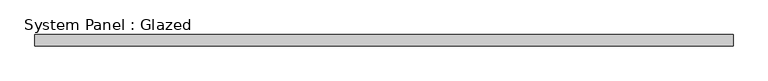
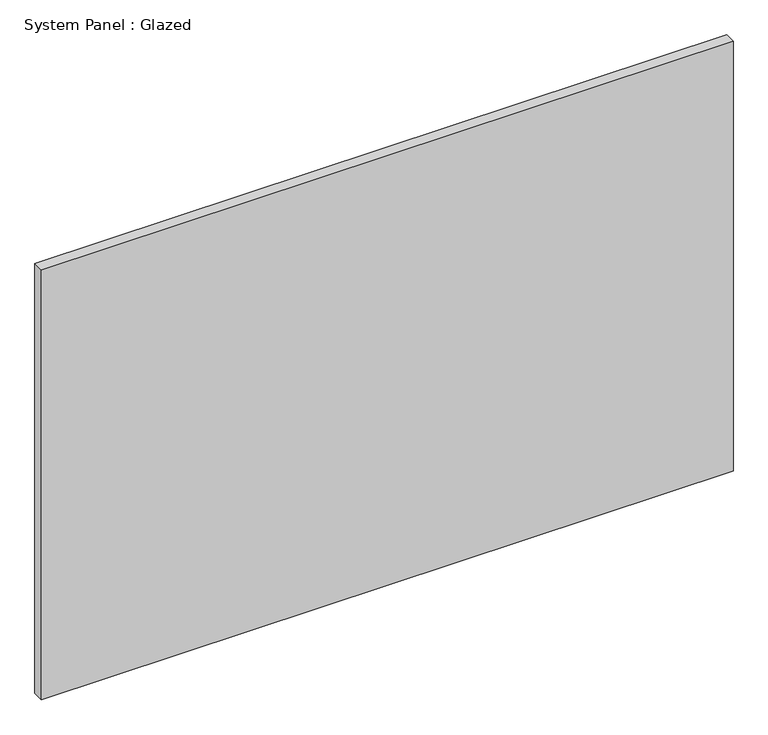
"""IFC4 building model written with IfcOpenShell, lengths in millimetres: plate geometry, System Panel : Glazed."""

from ifc_helpers import new_model, si_unit, origin, origin_with_axes, place, context, project, spatial, polyline, outline, extrude, source, transform, mapped, element, save


def system_panel_glazed_db241357(model_context):
    return source(origin(), model_context, "Body", "SweptSolid", [
        extrude(outline(polyline([(769.0628487, 24.5), (-769.0628487, 24.5), (-769.0628487, 49.5), (769.0628487, 49.5), (769.0628487, 24.5)])), origin_with_axes(), (0.0, 0.0, 1.0), 1010.85),
    ])


if __name__ == "__main__":
    model = new_model("IFC4")
    model_context = context("Model", 3, world=origin())
    ifc_project = project(units=[si_unit("LENGTHUNIT", "METRE", prefix="MILLI")], contexts=[model_context])
    site = spatial("IfcSite", under=ifc_project)
    building = spatial("IfcBuilding", under=site)
    placement = place(None, origin())
    system_panel_glazed_shape = system_panel_glazed_db241357(model_context)
    element("IfcPlate", 1, ObjectType="System Panel : Glazed", at=placement, inside=building, context=model_context, shape_type="MappedRepresentation", body=[
        mapped(system_panel_glazed_shape, transform((0.0, 0.0, 0.0), x_axis=(1.0, 0.0, 0.0), y_axis=(0.0, 1.0, 0.0), z_axis=(0.0, 0.0, 1.0))),
    ])
    save(model, "model.ifc")
